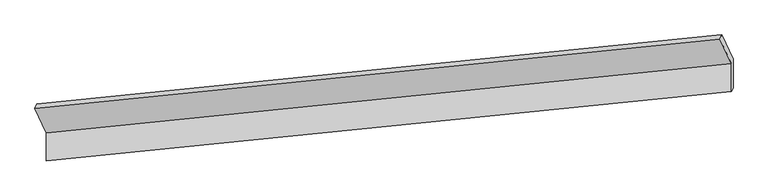
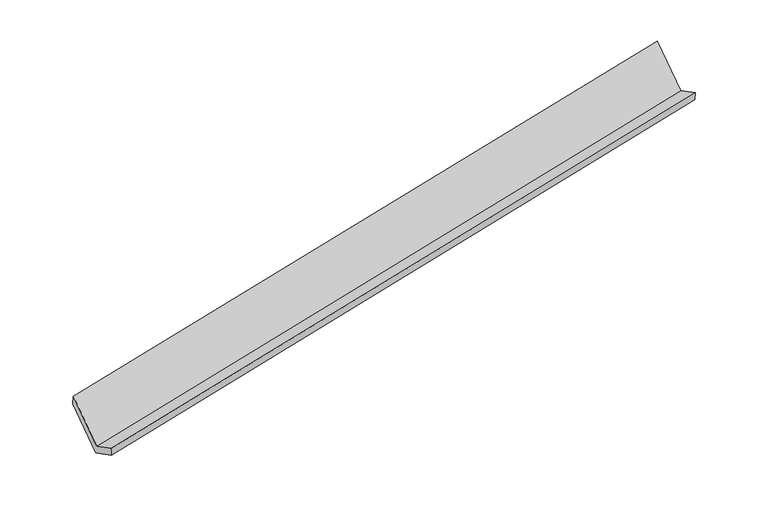
"""IFC4 building model written with IfcOpenShell, lengths in millimetres: proxy geometry."""

from ifc_helpers import new_model, si_unit, origin, place, context, project, spatial, faceted_brep, source, transform, mapped, element, save


def generic_models_eb6b0e01(model_context):
    return source(origin(), model_context, "Body", "Brep", [
        faceted_brep([(-7474.3918811, -1991.5678772, 816.2368414), (-7473.8424978, -2369.1935153, 1013.5289801), (1833.0409243, -1425.0505067, 2827.136128), (1832.491541, -1047.4248686, 2629.8439893), (-7451.4381054, -2322.8812703, 870.7558786), (1855.4453167, -1378.7382617, 2684.3630265), (-7452.0114342, -1928.7964128, 664.86455), (1854.8719879, -984.6534043, 2478.4716979), (-7605.2552334, -1598.1338822, 1298.1935796), (1701.6281887, -653.9908736, 3111.8007275), (-7629.8266956, -1656.1776731, 1458.6209425), (1677.0567266, -712.0346645, 3272.2280904)], [[[0, 1, 2, 3]], [[1, 4, 5, 2]], [[4, 6, 7, 5]], [[6, 8, 9, 7]], [[8, 10, 11, 9]], [[10, 0, 3, 11]], [[9, 11, 3, 2, 5, 7]], [[0, 10, 8, 6, 4, 1]]]),
    ])


if __name__ == "__main__":
    model = new_model("IFC4")
    model_context = context("Model", 3, world=origin())
    ifc_project = project(units=[si_unit("LENGTHUNIT", "METRE", prefix="MILLI")], contexts=[model_context])
    site = spatial("IfcSite", under=ifc_project)
    building = spatial("IfcBuilding", under=site)
    placement = place(None, origin())
    generic_models_shape = generic_models_eb6b0e01(model_context)
    element("IfcBuildingElementProxy", 1, Name="Generic Models", at=placement, inside=building, context=model_context, shape_type="MappedRepresentation", body=[
        mapped(generic_models_shape, transform((0.0, 0.0, 0.0), x_axis=(1.0, 0.0, 0.0), y_axis=(0.0, 1.0, 0.0), z_axis=(0.0, 0.0, 1.0))),
    ])
    save(model, "model.ifc")
